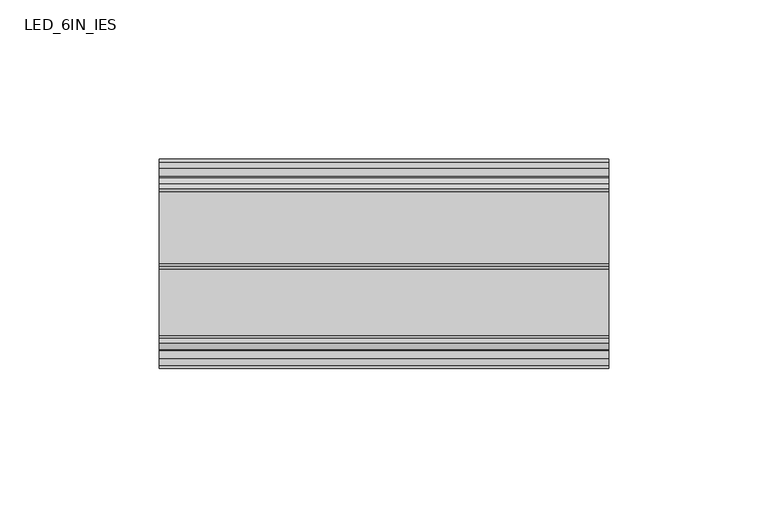
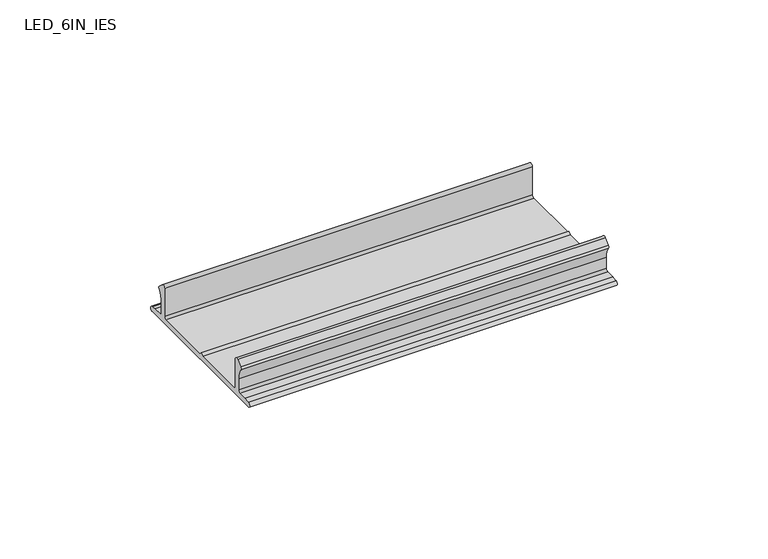
"""IFC4 building model written with IfcOpenShell, lengths in millimetres: light fixture geometry, LED_6IN_IES."""

from ifc_helpers import new_model, si_unit, point, frame, frame_2d, origin, place, context, project, spatial, polyline, circle_curve, trimmed, segment, composite_curve, outline, extrude, source, transform, mapped, element, save


def led_6in_ies_bd391ed0(model_context):
    return source(origin(), model_context, "Body", "SweptSolid", [
        extrude(outline(composite_curve([segment(trimmed(circle_curve(frame_2d((-230.8853532, 2407.5592165)), 0.9079798), [point((-230.8853532, 2406.6512367))], [point((-230.8853532, 2408.4671963))], False, "CARTESIAN"), True, "CONTINUOUS"), segment(polyline([(-230.8853532, 2408.4671963), (-228.706314, 2408.7672338), (-225.4096689, 2408.7672338)]), True, "CONTINUOUS"), segment(trimmed(circle_curve(frame_2d((-225.4096689, 2409.6673463)), 0.9001125), [point((-225.4096689, 2408.7672338))], [point((-224.5095564, 2409.6673463))], True, "CARTESIAN"), True, "CONTINUOUS"), segment(polyline([(-224.5095564, 2409.6673463), (-224.5095564, 2414.1181525)]), True, "CONTINUOUS"), segment(trimmed(circle_curve(frame_2d((-232.0104939, 2414.1181525)), 7.5009375), [point((-224.5095564, 2414.1181525))], [point((-225.9829548, 2418.582773))], True, "CARTESIAN"), True, "CONTINUOUS"), segment(trimmed(circle_curve(frame_2d((-225.2596501, 2419.1185275)), 0.9001125), [point((-225.9829548, 2418.582773))], [point((-225.8701785, 2419.7799333))], False, "CARTESIAN"), True, "CONTINUOUS"), segment(polyline([(-225.8701785, 2419.7799333), (-223.9199347, 2421.5801583)]), True, "CONTINUOUS"), segment(trimmed(circle_curve(frame_2d((-223.3094064, 2420.9187525)), 0.9001125), [point((-223.9199347, 2421.5801583))], [point((-222.4092939, 2420.9187525))], False, "CARTESIAN"), True, "CONTINUOUS"), segment(polyline([(-222.4092939, 2420.9187525), (-222.4092939, 2409.6673463)]), True, "CONTINUOUS"), segment(trimmed(circle_curve(frame_2d((-221.5091814, 2409.6673463)), 0.9001125), [point((-222.4092939, 2409.6673463))], [point((-221.5091814, 2408.7672338))], True, "CARTESIAN"), True, "CONTINUOUS"), segment(polyline([(-221.5091814, 2408.7672338), (-200.6807845, 2408.7672338), (-199.780672, 2409.6673463), (-198.8805595, 2408.7672338), (-176.3227827, 2408.7672338)]), True, "CONTINUOUS"), segment(trimmed(circle_curve(frame_2d((-176.3227827, 2409.6673463)), 0.9001125), [point((-176.3227827, 2408.7672338))], [point((-175.4226702, 2409.6673463))], True, "CARTESIAN"), True, "CONTINUOUS"), segment(polyline([(-175.4226702, 2409.6673463), (-175.4226702, 2420.9187525)]), True, "CONTINUOUS"), segment(trimmed(circle_curve(frame_2d((-174.5225577, 2420.9187525)), 0.9001125), [point((-175.4226702, 2420.9187525))], [point((-173.9120354, 2421.5801639))], False, "CARTESIAN"), True, "CONTINUOUS"), segment(polyline([(-173.9120354, 2421.5801639), (-171.9617528, 2419.7799363)]), True, "CONTINUOUS"), segment(trimmed(circle_curve(frame_2d((-172.5722911, 2419.1185077)), 0.900136), [point((-171.9617528, 2419.7799363))], [point((-171.8489659, 2418.5827414))], False, "CARTESIAN"), True, "CONTINUOUS"), segment(trimmed(circle_curve(frame_2d((-165.82144, 2414.1181586)), 7.5009045), [point((-171.8489659, 2418.5827414))], [point((-173.3223445, 2414.1181586))], True, "CARTESIAN"), True, "CONTINUOUS"), segment(polyline([(-173.3223445, 2414.1181586), (-173.3223445, 2409.667486)]), True, "CONTINUOUS"), segment(trimmed(circle_curve(frame_2d((-172.4223673, 2409.667486)), 0.8999772), [point((-173.3223445, 2409.667486))], [point((-172.4223673, 2408.7675088))], True, "CARTESIAN"), True, "CONTINUOUS"), segment(polyline([(-172.4223673, 2408.7675088), (-169.0180106, 2408.7675088), (-167.1658278, 2408.4671963)]), True, "CONTINUOUS"), segment(trimmed(circle_curve(frame_2d((-167.1658278, 2407.5592165)), 0.9079798), [point((-167.1658278, 2408.4671963))], [point((-167.1658278, 2406.6512367))], False, "CARTESIAN"), True, "CONTINUOUS"), segment(polyline([(-167.1658278, 2406.6512367), (-230.8853532, 2406.6512367)]), True, "CONTINUOUS")], self_intersect=False)), frame((234.5231772, 0.0, 0.0), z_axis=(1.0, 0.0, 0.0), x_axis=(0.0, 1.0, 0.0)), (0.0, 0.0, 1.0), 140.7668),
    ])


if __name__ == "__main__":
    model = new_model("IFC4")
    model_context = context("Model", 3, world=origin())
    ifc_project = project(units=[si_unit("LENGTHUNIT", "METRE", prefix="MILLI")], contexts=[model_context])
    site = spatial("IfcSite", under=ifc_project)
    building = spatial("IfcBuilding", under=site)
    placement = place(None, origin())
    led_6in_ies_shape = led_6in_ies_bd391ed0(model_context)
    element("IfcLightFixture", 1, ObjectType="LED_6IN_IES", at=placement, inside=building, context=model_context, shape_type="MappedRepresentation", body=[
        mapped(led_6in_ies_shape, transform((0.0, 0.0, 0.0), x_axis=(1.0, 0.0, 0.0), y_axis=(0.0, 1.0, 0.0), z_axis=(0.0, 0.0, 1.0))),
    ])
    save(model, "model.ifc")
